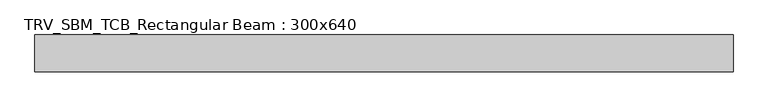
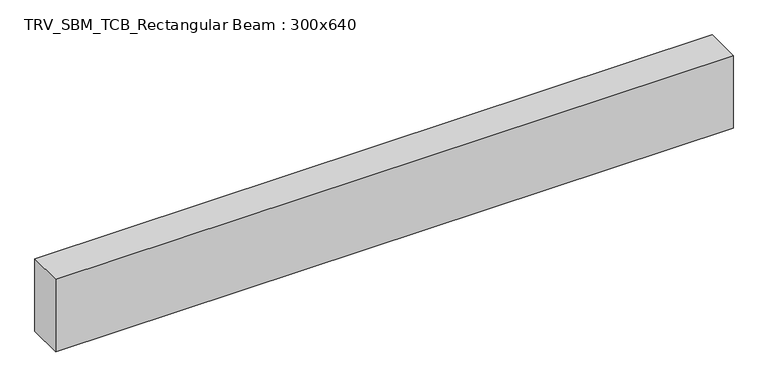
"""IFC4 building model written with IfcOpenShell, lengths in millimetres: beam geometry, TRV_SBM_TCB_Rectangular Beam : 300x640."""

from ifc_helpers import new_model, si_unit, frame, origin, place, context, project, spatial, polyline, outline, extrude, source, transform, mapped, element, save


def trv_sbm_tcb_rectangular_beam_300x640_60d37c30(model_context):
    return source(origin(), model_context, "Body", "SweptSolid", [
        extrude(outline(polyline([(2826.2, 150.0), (2826.2, -150.0), (-2826.2, -150.0), (-2826.2, 150.0), (2826.2, 150.0)])), frame((0.0, 0.0, -320.0), z_axis=(0.0, 0.0, 1.0), x_axis=(1.0, 0.0, 0.0)), (0.0, 0.0, 1.0), 640.0),
    ])


if __name__ == "__main__":
    model = new_model("IFC4")
    model_context = context("Model", 3, world=origin())
    ifc_project = project(units=[si_unit("LENGTHUNIT", "METRE", prefix="MILLI")], contexts=[model_context])
    site = spatial("IfcSite", under=ifc_project)
    building = spatial("IfcBuilding", under=site)
    placement = place(None, origin())
    trv_sbm_tcb_rectangular_beam_300x640_shape = trv_sbm_tcb_rectangular_beam_300x640_60d37c30(model_context)
    element("IfcBeam", 1, ObjectType="TRV_SBM_TCB_Rectangular Beam : 300x640", at=placement, inside=building, context=model_context, shape_type="MappedRepresentation", body=[
        mapped(trv_sbm_tcb_rectangular_beam_300x640_shape, transform((0.0, 0.0, 0.0), x_axis=(1.0, 0.0, 0.0), y_axis=(0.0, 1.0, 0.0), z_axis=(0.0, 0.0, 1.0))),
    ])
    save(model, "model.ifc")
